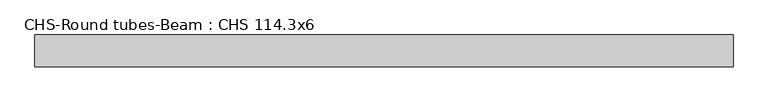
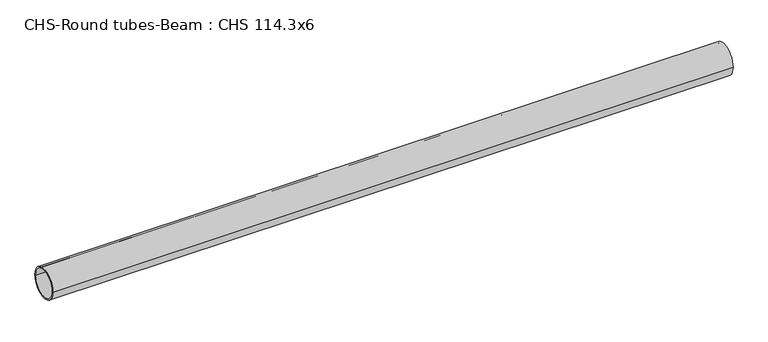
"""IFC4 building model written with IfcOpenShell, lengths in millimetres: beam geometry, CHS-Round tubes-Beam : CHS 114.3x6."""

from ifc_helpers import new_model, si_unit, point, frame, origin, origin_2d, place, context, project, spatial, circle_curve, trimmed, segment, composite_curve, outline, extrude, source, transform, mapped, element, save


def chs_round_tubes_beam_chs_114_3x6_4c850ee9(model_context):
    return source(origin(), model_context, "Body", "SweptSolid", [
        extrude(outline(composite_curve([segment(trimmed(circle_curve(origin_2d(), 57.15), [point((57.15, 0.0))], [point((-57.15, 0.0))], False, "CARTESIAN"), True, "CONTINUOUS"), segment(trimmed(circle_curve(origin_2d(), 57.15), [point((-57.15, 0.0))], [point((57.15, 0.0))], False, "CARTESIAN"), True, "CONTINUOUS")], self_intersect=False), holes=[composite_curve([segment(trimmed(circle_curve(origin_2d(), 51.15), [point((51.15, 0.0))], [point((-51.15, 0.0))], True, "CARTESIAN"), True, "CONTINUOUS"), segment(trimmed(circle_curve(origin_2d(), 51.15), [point((-51.15, 0.0))], [point((51.15, 0.0))], True, "CARTESIAN"), True, "CONTINUOUS")], self_intersect=False)]), frame((-1204.9421923, 0.0, 0.0), z_axis=(1.0, 0.0, 0.0), x_axis=(0.0, 1.0, 0.0)), (0.0, 0.0, 1.0), 2507.8428704),
    ])


if __name__ == "__main__":
    model = new_model("IFC4")
    model_context = context("Model", 3, world=origin())
    ifc_project = project(units=[si_unit("LENGTHUNIT", "METRE", prefix="MILLI")], contexts=[model_context])
    site = spatial("IfcSite", under=ifc_project)
    building = spatial("IfcBuilding", under=site)
    placement = place(None, origin())
    chs_round_tubes_beam_chs_114_3x6_shape = chs_round_tubes_beam_chs_114_3x6_4c850ee9(model_context)
    element("IfcBeam", 1, ObjectType="CHS-Round tubes-Beam : CHS 114.3x6", at=placement, inside=building, context=model_context, shape_type="MappedRepresentation", body=[
        mapped(chs_round_tubes_beam_chs_114_3x6_shape, transform((0.0, 0.0, 0.0), x_axis=(1.0, 0.0, 0.0), y_axis=(0.0, 1.0, 0.0), z_axis=(0.0, 0.0, 1.0))),
    ])
    save(model, "model.ifc")
